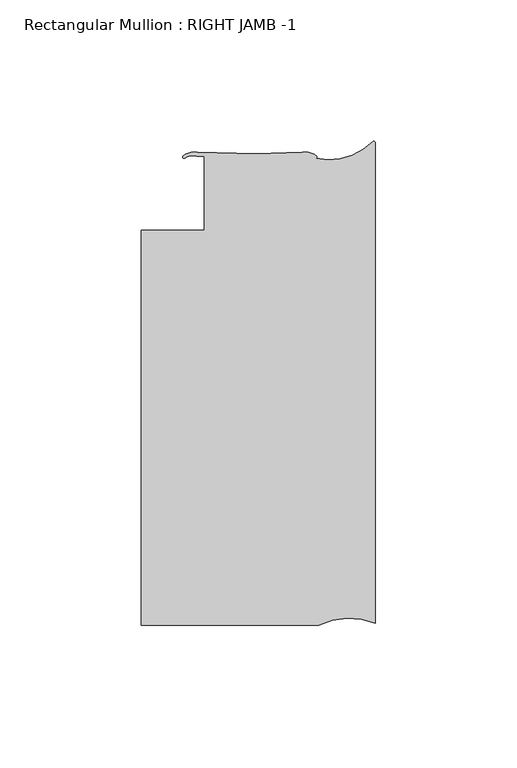
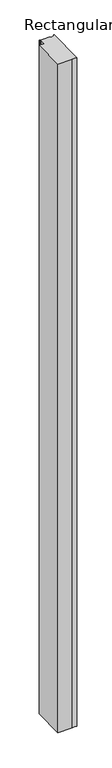
"""IFC4 building model written with IfcOpenShell, lengths in millimetres: member geometry, Rectangular Mullion : RIGHT JAMB -1."""

from ifc_helpers import new_model, si_unit, point, frame, frame_2d, origin, place, context, project, spatial, polyline, circle_curve, trimmed, segment, composite_curve, outline, extrude, source, transform, mapped, element, save


def rectangular_mullion_right_jamb_1_a8075130(model_context):
    return source(origin(), model_context, "Body", "SweptSolid", [
        extrude(outline(composite_curve([segment(polyline([(-20.0963261, -163.2819131), (-82.7624924, -163.2819131), (-82.7624924, -23.5819181), (-60.5419882, -23.5819181), (-60.5419882, 2.4519955), (-63.0963214, 2.5246745)]), True, "CONTINUOUS"), segment(trimmed(circle_curve(frame_2d((-64.5495981, -3.2096805)), 5.9156437), [point((-63.0963214, 2.5246745))], [point((-67.5034782, 1.915691))], True, "CARTESIAN"), True, "CONTINUOUS"), segment(trimmed(circle_curve(frame_2d((-67.7627315, 2.2405622)), 0.4156364), [point((-67.5034782, 1.915691))], [point((-68.0818732, 2.5068369))], False, "CARTESIAN"), True, "CONTINUOUS"), segment(trimmed(circle_curve(frame_2d((-64.0102162, -1.7745925)), 5.9083862), [point((-68.0818732, 2.5068369))], [point((-62.9891992, 4.0449051))], False, "CARTESIAN"), True, "CONTINUOUS"), segment(polyline([(-62.9891992, 4.0449051), (-42.2708685, 3.4784039), (-25.9390512, 3.9660281)]), True, "CONTINUOUS"), segment(trimmed(circle_curve(frame_2d((-24.8202291, -1.8611125)), 5.9335766), [point((-25.9390512, 3.9660281))], [point((-20.8094174, 2.5116121))], False, "CARTESIAN"), True, "CONTINUOUS"), segment(trimmed(circle_curve(frame_2d((-21.1241586, 2.2401502)), 0.4156364), [point((-20.8094174, 2.5116121))], [point((-21.1155372, 1.8246033))], False, "CARTESIAN"), True, "CONTINUOUS"), segment(trimmed(circle_curve(frame_2d((-16.3790646, 23.0570008)), 21.7542841), [point((-21.1155372, 1.8246033))], [point((-0.9068806, 7.7645059))], True, "CARTESIAN"), True, "CONTINUOUS"), segment(trimmed(circle_curve(frame_2d((-0.635, 7.1906541)), 0.635), [point((-0.9068806, 7.7645059))], [point((0.0, 7.1906541))], False, "CARTESIAN"), True, "CONTINUOUS"), segment(polyline([(0.0, 7.1906541), (0.0, -162.5672166)]), True, "CONTINUOUS"), segment(trimmed(circle_curve(frame_2d((-9.2332881, -185.8377779)), 25.0354275), [point((0.0, -162.5672166))], [point((-20.0963261, -163.2819131))], True, "CARTESIAN"), True, "CONTINUOUS")], self_intersect=False)), frame((0.0, 0.0, -3048.0), z_axis=(0.0, 0.0, 1.0), x_axis=(1.0, 0.0, 0.0)), (0.0, 0.0, 1.0), 3048.0),
    ])


if __name__ == "__main__":
    model = new_model("IFC4")
    model_context = context("Model", 3, world=origin())
    ifc_project = project(units=[si_unit("LENGTHUNIT", "METRE", prefix="MILLI")], contexts=[model_context])
    site = spatial("IfcSite", under=ifc_project)
    building = spatial("IfcBuilding", under=site)
    placement = place(None, origin())
    rectangular_mullion_right_jamb_1_shape = rectangular_mullion_right_jamb_1_a8075130(model_context)
    element("IfcMember", 1, ObjectType="Rectangular Mullion : RIGHT JAMB -1", at=placement, inside=building, context=model_context, shape_type="MappedRepresentation", body=[
        mapped(rectangular_mullion_right_jamb_1_shape, transform((0.0, 0.0, 0.0), x_axis=(1.0, 0.0, 0.0), y_axis=(0.0, 1.0, 0.0), z_axis=(0.0, 0.0, 1.0))),
    ])
    save(model, "model.ifc")
